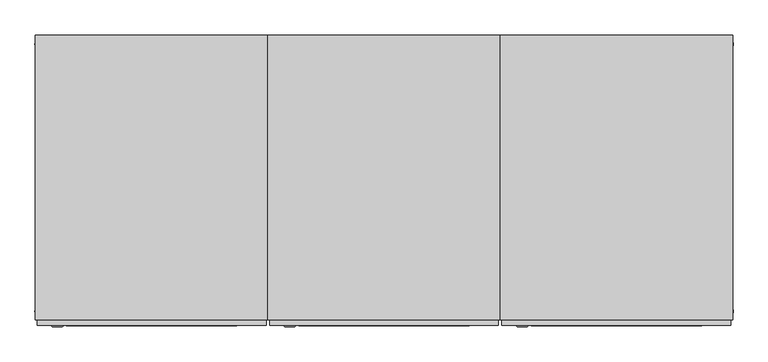
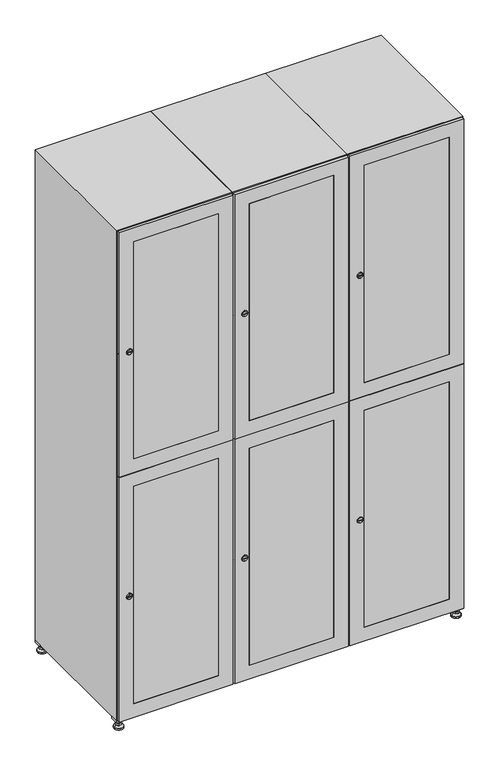
"""IFC4 building model written with IfcOpenShell, lengths in millimetres: furniture geometry."""

from ifc_helpers import new_model, si_unit, point, frame, frame_2d, origin, origin_with_axes, place, context, project, spatial, polyline, circle_curve, trimmed, segment, composite_curve, outline, extrude, faceted_brep, source, transform, mapped, element, save
from ifc_brep_helpers import plane_surface, revolved_surface, advanced_brep


def furniture_c2c99494(model_context):
    return source(origin(), model_context, "Body", "SolidModel", [
        extrude(outline(polyline([(1000.0, 245.0), (1000.0, 215.0), (970.0, 215.0), (970.0, 245.0), (1000.0, 245.0)]), holes=[polyline([(998.0, 243.0), (972.0, 243.0), (972.0, 217.0), (998.0, 217.0), (998.0, 243.0)])]), frame((0.0, 0.0, 28.5), z_axis=(0.0, 0.0, 1.0), x_axis=(1.0, 0.0, 0.0)), (0.0, 0.0, 1.0), 6.5),
        extrude(outline(polyline([(970.0, -245.0), (970.0, -215.0), (1000.0, -215.0), (1000.0, -245.0), (970.0, -245.0)]), holes=[polyline([(972.0, -243.0), (998.0, -243.0), (998.0, -217.0), (972.0, -217.0), (972.0, -243.0)])]), frame((0.0, 0.0, 28.5), z_axis=(0.0, 0.0, 1.0), x_axis=(1.0, 0.0, 0.0)), (0.0, 0.0, 1.0), 6.5),
        extrude(outline(polyline([(-170.0, 245.0), (-170.0, 215.0), (-200.0, 215.0), (-200.0, 245.0), (-170.0, 245.0)]), holes=[polyline([(-172.0, 243.0), (-198.0, 243.0), (-198.0, 217.0), (-172.0, 217.0), (-172.0, 243.0)])]), frame((0.0, 0.0, 28.5), z_axis=(0.0, 0.0, 1.0), x_axis=(1.0, 0.0, 0.0)), (0.0, 0.0, 1.0), 6.5),
        extrude(outline(polyline([(-170.0, -215.0), (-170.0, -245.0), (-200.0, -245.0), (-200.0, -215.0), (-170.0, -215.0)]), holes=[polyline([(-198.0, -243.0), (-172.0, -243.0), (-172.0, -217.0), (-198.0, -217.0), (-198.0, -243.0)])]), frame((0.0, 0.0, 28.5), z_axis=(0.0, 0.0, 1.0), x_axis=(1.0, 0.0, 0.0)), (0.0, 0.0, 1.0), 6.5),
        extrude(outline(composite_curve([segment(trimmed(circle_curve(frame_2d((-185.0, 230.0)), 5.0), [point((-180.0, 230.0))], [point((-190.0, 230.0))], False, "CARTESIAN"), True, "CONTINUOUS"), segment(trimmed(circle_curve(frame_2d((-185.0, 230.0)), 5.0), [point((-190.0, 230.0))], [point((-180.0, 230.0))], False, "CARTESIAN"), True, "CONTINUOUS")], self_intersect=False)), frame((0.0, 0.0, 19.6), z_axis=(0.0, 0.0, 1.0), x_axis=(1.0, 0.0, 0.0)), (0.0, 0.0, 1.0), 15.4),
        extrude(outline(composite_curve([segment(trimmed(circle_curve(frame_2d((-185.0, -230.0)), 5.0), [point((-180.0, -230.0))], [point((-190.0, -230.0))], False, "CARTESIAN"), True, "CONTINUOUS"), segment(trimmed(circle_curve(frame_2d((-185.0, -230.0)), 5.0), [point((-190.0, -230.0))], [point((-180.0, -230.0))], False, "CARTESIAN"), True, "CONTINUOUS")], self_intersect=False)), frame((0.0, 0.0, 19.6), z_axis=(0.0, 0.0, 1.0), x_axis=(1.0, 0.0, 0.0)), (0.0, 0.0, 1.0), 15.4),
        extrude(outline(composite_curve([segment(trimmed(circle_curve(frame_2d((985.0, 230.0)), 5.0), [point((990.0, 230.0))], [point((980.0, 230.0))], False, "CARTESIAN"), True, "CONTINUOUS"), segment(trimmed(circle_curve(frame_2d((985.0, 230.0)), 5.0), [point((980.0, 230.0))], [point((990.0, 230.0))], False, "CARTESIAN"), True, "CONTINUOUS")], self_intersect=False)), frame((0.0, 0.0, 19.6), z_axis=(0.0, 0.0, 1.0), x_axis=(1.0, 0.0, 0.0)), (0.0, 0.0, 1.0), 15.4),
        extrude(outline(polyline([(973.4529946, 230.0), (979.2264973, 240.0), (990.7735027, 240.0), (996.5470054, 230.0), (990.7735027, 220.0), (979.2264973, 220.0), (973.4529946, 230.0)])), frame((0.0, 0.0, 13.6), z_axis=(0.0, 0.0, 1.0), x_axis=(1.0, 0.0, 0.0)), (0.0, 0.0, 1.0), 6.0),
        extrude(outline(composite_curve([segment(trimmed(circle_curve(frame_2d((985.0, -230.0)), 5.0), [point((990.0, -230.0))], [point((980.0, -230.0))], False, "CARTESIAN"), True, "CONTINUOUS"), segment(trimmed(circle_curve(frame_2d((985.0, -230.0)), 5.0), [point((980.0, -230.0))], [point((990.0, -230.0))], False, "CARTESIAN"), True, "CONTINUOUS")], self_intersect=False)), frame((0.0, 0.0, 19.6), z_axis=(0.0, 0.0, 1.0), x_axis=(1.0, 0.0, 0.0)), (0.0, 0.0, 1.0), 15.4),
        extrude(outline(polyline([(973.4529946, -230.0), (979.2264973, -220.0), (990.7735027, -220.0), (996.5470054, -230.0), (990.7735027, -240.0), (979.2264973, -240.0), (973.4529946, -230.0)])), frame((0.0, 0.0, 13.6), z_axis=(0.0, 0.0, 1.0), x_axis=(1.0, 0.0, 0.0)), (0.0, 0.0, 1.0), 6.0),
        extrude(outline(composite_curve([segment(trimmed(circle_curve(frame_2d((985.0, 230.0)), 5.0), [point((990.0, 230.0))], [point((980.0, 230.0))], False, "CARTESIAN"), True, "CONTINUOUS"), segment(trimmed(circle_curve(frame_2d((985.0, 230.0)), 5.0), [point((980.0, 230.0))], [point((990.0, 230.0))], False, "CARTESIAN"), True, "CONTINUOUS")], self_intersect=False)), frame((0.0, 0.0, 12.1), z_axis=(0.0, 0.0, 1.0), x_axis=(1.0, 0.0, 0.0)), (0.0, 0.0, 1.0), 1.5),
        extrude(outline(composite_curve([segment(trimmed(circle_curve(frame_2d((985.0, -230.0)), 5.0), [point((990.0, -230.0))], [point((980.0, -230.0))], False, "CARTESIAN"), True, "CONTINUOUS"), segment(trimmed(circle_curve(frame_2d((985.0, -230.0)), 5.0), [point((980.0, -230.0))], [point((990.0, -230.0))], False, "CARTESIAN"), True, "CONTINUOUS")], self_intersect=False)), frame((0.0, 0.0, 12.1), z_axis=(0.0, 0.0, 1.0), x_axis=(1.0, 0.0, 0.0)), (0.0, 0.0, 1.0), 1.5),
        extrude(outline(polyline([(-196.5470054, 230.0), (-190.7735027, 240.0), (-179.2264973, 240.0), (-173.4529946, 230.0), (-179.2264973, 220.0), (-190.7735027, 220.0), (-196.5470054, 230.0)])), frame((0.0, 0.0, 13.6), z_axis=(0.0, 0.0, 1.0), x_axis=(1.0, 0.0, 0.0)), (0.0, 0.0, 1.0), 6.0),
        extrude(outline(polyline([(-196.5470054, -230.0), (-190.7735027, -220.0), (-179.2264973, -220.0), (-173.4529946, -230.0), (-179.2264973, -240.0), (-190.7735027, -240.0), (-196.5470054, -230.0)])), frame((0.0, 0.0, 13.6), z_axis=(0.0, 0.0, 1.0), x_axis=(1.0, 0.0, 0.0)), (0.0, 0.0, 1.0), 6.0),
        extrude(outline(composite_curve([segment(trimmed(circle_curve(frame_2d((-185.0, 230.0)), 5.0), [point((-185.0, 235.0))], [point((-185.0, 225.0))], False, "CARTESIAN"), True, "CONTINUOUS"), segment(trimmed(circle_curve(frame_2d((-185.0, 230.0)), 5.0), [point((-185.0, 225.0))], [point((-185.0, 235.0))], False, "CARTESIAN"), True, "CONTINUOUS")], self_intersect=False)), frame((0.0, 0.0, 12.1), z_axis=(0.0, 0.0, 1.0), x_axis=(1.0, 0.0, 0.0)), (0.0, 0.0, 1.0), 1.5),
        extrude(outline(composite_curve([segment(trimmed(circle_curve(frame_2d((-185.0, -230.0)), 5.0), [point((-180.0, -230.0))], [point((-190.0, -230.0))], False, "CARTESIAN"), True, "CONTINUOUS"), segment(trimmed(circle_curve(frame_2d((-185.0, -230.0)), 5.0), [point((-190.0, -230.0))], [point((-180.0, -230.0))], False, "CARTESIAN"), True, "CONTINUOUS")], self_intersect=False)), frame((0.0, 0.0, 12.1), z_axis=(0.0, 0.0, 1.0), x_axis=(1.0, 0.0, 0.0)), (0.0, 0.0, 1.0), 1.5),
        extrude(outline(composite_curve([segment(trimmed(circle_curve(frame_2d((985.0, 230.0)), 15.75), [point((1000.75, 230.0))], [point((969.25, 230.0))], False, "CARTESIAN"), True, "CONTINUOUS"), segment(trimmed(circle_curve(frame_2d((985.0, 230.0)), 15.75), [point((969.25, 230.0))], [point((1000.75, 230.0))], False, "CARTESIAN"), True, "CONTINUOUS")], self_intersect=False)), origin_with_axes(), (0.0, 0.0, 1.0), 5.1),
        extrude(outline(composite_curve([segment(trimmed(circle_curve(frame_2d((985.0, -230.0)), 15.75), [point((985.0, -214.25))], [point((985.0, -245.75))], False, "CARTESIAN"), True, "CONTINUOUS"), segment(trimmed(circle_curve(frame_2d((985.0, -230.0)), 15.75), [point((985.0, -245.75))], [point((985.0, -214.25))], False, "CARTESIAN"), True, "CONTINUOUS")], self_intersect=False)), origin_with_axes(), (0.0, 0.0, 1.0), 5.1),
        extrude(outline(composite_curve([segment(trimmed(circle_curve(frame_2d((-185.0, -230.0)), 15.75), [point((-169.25, -230.0))], [point((-200.75, -230.0))], False, "CARTESIAN"), True, "CONTINUOUS"), segment(trimmed(circle_curve(frame_2d((-185.0, -230.0)), 15.75), [point((-200.75, -230.0))], [point((-169.25, -230.0))], False, "CARTESIAN"), True, "CONTINUOUS")], self_intersect=False)), origin_with_axes(), (0.0, 0.0, 1.0), 5.1),
        extrude(outline(composite_curve([segment(trimmed(circle_curve(frame_2d((-185.0, 230.0)), 15.75), [point((-169.25, 230.0))], [point((-200.75, 230.0))], False, "CARTESIAN"), True, "CONTINUOUS"), segment(trimmed(circle_curve(frame_2d((-185.0, 230.0)), 15.75), [point((-200.75, 230.0))], [point((-169.25, 230.0))], False, "CARTESIAN"), True, "CONTINUOUS")], self_intersect=False)), origin_with_axes(), (0.0, 0.0, 1.0), 5.1),
        advanced_brep(
        [(-185.0, 239.5, 12.1), (-185.0, 220.5, 12.1), (-185.0, 214.25, 5.1), (-185.0, 245.75, 5.1)],
        [
            (0, 1, circle_curve(frame((-185.0, 230.0, 12.1), z_axis=(0.0, 0.0, -1.0), x_axis=(0.0, 1.0, 0.0)), 9.5)),
            (1, 2),
            (2, 3, circle_curve(frame((-185.0, 230.0, 5.1), z_axis=(0.0, 0.0, 1.0), x_axis=(0.0, 1.0, 0.0)), 15.75)),
            (3, 0),
            (1, 0, circle_curve(frame((-185.0, 230.0, 12.1), z_axis=(0.0, 0.0, -1.0), x_axis=(0.0, -1.0, 0.0)), 9.5)),
            (3, 2, circle_curve(frame((-185.0, 230.0, 5.1), z_axis=(0.0, 0.0, 1.0), x_axis=(0.0, -1.0, 0.0)), 15.75)),
        ],
        [
            revolved_surface(polyline([(-185.0, 220.5, 12.099999999999998), (-185.0, 214.25, 5.099999999999998)]), (-185.0, 230.0, 22.74), (0.0, 0.0, -1.0)),
            revolved_surface(polyline([(-185.0, 239.5, 12.099999999999998), (-185.0, 245.75, 5.099999999999998)]), (-185.0, 230.0, 22.74), (0.0, 0.0, -1.0)),
            plane_surface(frame((-185.0, 230.0, 5.1), z_axis=(0.0, 0.0, -1.0), x_axis=(1.0, 0.0, 0.0))),
            plane_surface(frame((-185.0, 230.0, 12.1), z_axis=(0.0, 0.0, 1.0), x_axis=(1.0, 0.0, 0.0))),
        ],
        [
            (0, [[1, 2, 3, 4]]),
            (1, [[5, -4, 6, -2]]),
            (2, [[-3, -6]]),
            (3, [[-5, -1]]),
        ],
    ),
        advanced_brep(
        [(985.0, 239.5, 12.1), (985.0, 220.5, 12.1), (985.0, 214.25, 5.1), (985.0, 245.75, 5.1)],
        [
            (0, 1, circle_curve(frame((985.0, 230.0, 12.1), z_axis=(0.0, 0.0, -1.0), x_axis=(0.0, 1.0, 0.0)), 9.5)),
            (1, 2),
            (2, 3, circle_curve(frame((985.0, 230.0, 5.1), z_axis=(0.0, 0.0, 1.0), x_axis=(0.0, 1.0, 0.0)), 15.75)),
            (3, 0),
            (1, 0, circle_curve(frame((985.0, 230.0, 12.1), z_axis=(0.0, 0.0, -1.0), x_axis=(0.0, -1.0, 0.0)), 9.5)),
            (3, 2, circle_curve(frame((985.0, 230.0, 5.1), z_axis=(0.0, 0.0, 1.0), x_axis=(0.0, -1.0, 0.0)), 15.75)),
        ],
        [
            revolved_surface(polyline([(985.0, 220.5, 12.099999999999998), (985.0, 214.25, 5.099999999999998)]), (985.0, 230.0, 22.74), (0.0, 0.0, -1.0)),
            revolved_surface(polyline([(985.0, 239.5, 12.099999999999998), (985.0, 245.75, 5.099999999999998)]), (985.0, 230.0, 22.74), (0.0, 0.0, -1.0)),
            plane_surface(frame((985.0, 230.0, 5.1), z_axis=(0.0, 0.0, -1.0), x_axis=(1.0, 0.0, 0.0))),
            plane_surface(frame((985.0, 230.0, 12.1), z_axis=(0.0, 0.0, 1.0), x_axis=(1.0, 0.0, 0.0))),
        ],
        [
            (0, [[1, 2, 3, 4]]),
            (1, [[5, -4, 6, -2]]),
            (2, [[-3, -6]]),
            (3, [[-5, -1]]),
        ],
    ),
        advanced_brep(
        [(1000.75, -230.0, 5.1), (969.25, -230.0, 5.1), (975.5, -230.0, 12.1), (994.5, -230.0, 12.1)],
        [
            (0, 1, circle_curve(frame((985.0, -230.0, 5.1), z_axis=(0.0, 0.0, 1.0), x_axis=(1.0, 0.0, 0.0)), 15.75)),
            (1, 2),
            (2, 3, circle_curve(frame((985.0, -230.0, 12.1), z_axis=(0.0, 0.0, -1.0), x_axis=(1.0, 0.0, 0.0)), 9.5)),
            (3, 0),
            (1, 0, circle_curve(frame((985.0, -230.0, 5.1), z_axis=(0.0, 0.0, 1.0), x_axis=(-1.0, 0.0, 0.0)), 15.75)),
            (3, 2, circle_curve(frame((985.0, -230.0, 12.1), z_axis=(0.0, 0.0, -1.0), x_axis=(-1.0, 0.0, 0.0)), 9.5)),
        ],
        [
            revolved_surface(polyline([(994.5, -230.0, 12.099999999999998), (1000.75, -230.0, 5.099999999999998)]), (985.0, -230.0, 22.74), (0.0, 0.0, -1.0)),
            revolved_surface(polyline([(975.5, -230.0, 12.099999999999998), (969.25, -230.0, 5.099999999999998)]), (985.0, -230.0, 22.74), (0.0, 0.0, -1.0)),
            plane_surface(frame((985.0, -230.0, 12.1), z_axis=(0.0, 0.0, 1.0), x_axis=(0.0, 1.0, 0.0))),
            plane_surface(frame((985.0, -230.0, 5.1), z_axis=(0.0, 0.0, -1.0), x_axis=(0.0, 1.0, 0.0))),
        ],
        [
            (0, [[1, 2, 3, 4]]),
            (1, [[5, -4, 6, -2]]),
            (2, [[-3, -6]]),
            (3, [[-5, -1]]),
        ],
    ),
        advanced_brep(
        [(-169.25, -230.0, 5.1), (-200.75, -230.0, 5.1), (-194.5, -230.0, 12.1), (-175.5, -230.0, 12.1)],
        [
            (0, 1, circle_curve(frame((-185.0, -230.0, 5.1), z_axis=(0.0, 0.0, 1.0), x_axis=(1.0, 0.0, 0.0)), 15.75)),
            (1, 2),
            (2, 3, circle_curve(frame((-185.0, -230.0, 12.1), z_axis=(0.0, 0.0, -1.0), x_axis=(1.0, 0.0, 0.0)), 9.5)),
            (3, 0),
            (1, 0, circle_curve(frame((-185.0, -230.0, 5.1), z_axis=(0.0, 0.0, 1.0), x_axis=(-1.0, 0.0, 0.0)), 15.75)),
            (3, 2, circle_curve(frame((-185.0, -230.0, 12.1), z_axis=(0.0, 0.0, -1.0), x_axis=(-1.0, 0.0, 0.0)), 9.5)),
        ],
        [
            revolved_surface(polyline([(-175.5, -230.0, 12.099999999999998), (-169.25, -230.0, 5.099999999999998)]), (-185.0, -230.0, 22.74), (0.0, 0.0, -1.0)),
            revolved_surface(polyline([(-194.5, -230.0, 12.099999999999998), (-200.75, -230.0, 5.099999999999998)]), (-185.0, -230.0, 22.74), (0.0, 0.0, -1.0)),
            plane_surface(frame((-185.0, -230.0, 12.1), z_axis=(0.0, 0.0, 1.0), x_axis=(0.0, 1.0, 0.0))),
            plane_surface(frame((-185.0, -230.0, 5.1), z_axis=(0.0, 0.0, -1.0), x_axis=(0.0, 1.0, 0.0))),
        ],
        [
            (0, [[1, 2, 3, 4]]),
            (1, [[5, -4, 6, -2]]),
            (2, [[-3, -6]]),
            (3, [[-5, -1]]),
        ],
    ),
        extrude(outline(composite_curve([segment(trimmed(circle_curve(frame_2d((1383.5, 611.2010534)), 7.0), [point((1390.5, 611.2010534))], [point((1376.5, 611.2010534))], False, "CARTESIAN"), True, "CONTINUOUS"), segment(polyline([(1376.5, 611.2010534), (1376.5, 639.2010534)]), True, "CONTINUOUS"), segment(trimmed(circle_curve(frame_2d((1383.5, 639.2010534)), 7.0), [point((1376.5, 639.2010534))], [point((1390.5, 639.2010534))], False, "CARTESIAN"), True, "CONTINUOUS"), segment(polyline([(1390.5, 639.2010534), (1390.5, 611.2010534)]), True, "CONTINUOUS")], self_intersect=False)), frame((0.0, -245.0, 0.0), z_axis=(0.0, 1.0, 0.0), x_axis=(0.0, 0.0, 1.0)), (0.0, 0.0, 1.0), 2.0),
        advanced_brep(
        [(646.5, -257.2, 1383.5), (629.5, -257.2, 1383.5), (633.0, -257.2, 1382.25), (633.0, -257.2, 1384.75), (643.0, -257.2, 1384.75), (643.0, -257.2, 1382.25), (648.5, -255.0, 1383.5), (627.5, -255.0, 1383.5), (633.0, -255.0, 1384.75), (633.0, -255.0, 1382.25), (643.0, -255.0, 1382.25), (643.0, -255.0, 1384.75)],
        [
            (0, 1, circle_curve(frame((638.0, -257.2, 1383.5), z_axis=(0.0, -1.0, 0.0), x_axis=(1.0, 0.0, 0.0)), 8.5)),
            (1, 0, circle_curve(frame((638.0, -257.2, 1383.5), z_axis=(0.0, -1.0, 0.0), x_axis=(-1.0, 0.0, 0.0)), 8.5)),
            (2, 3),
            (3, 4),
            (4, 5),
            (5, 2),
            (6, 7, circle_curve(frame((638.0, -255.0, 1383.5), z_axis=(0.0, 1.0, 0.0), x_axis=(-1.0, 0.0, 0.0)), 10.5)),
            (7, 6, circle_curve(frame((638.0, -255.0, 1383.5), z_axis=(0.0, 1.0, 0.0), x_axis=(1.0, 0.0, 0.0)), 10.5)),
            (8, 9),
            (9, 10),
            (10, 11),
            (11, 8),
            (0, 6),
            (7, 1),
            (8, 3),
            (2, 9),
            (11, 4),
            (10, 5),
        ],
        [
            plane_surface(frame((638.0, -257.2, 1383.5), z_axis=(0.0, -1.0, 0.0), x_axis=(0.0, 0.0, 1.0))),
            plane_surface(frame((638.0, -255.0, 1383.5), z_axis=(0.0, 1.0, 0.0), x_axis=(0.0, 0.0, 1.0))),
            revolved_surface(polyline([(646.5, -257.2, 1383.5), (648.5, -255.0, 1383.5)]), (638.0, -266.55, 1383.5), (0.0, 1.0, 0.0)),
            revolved_surface(polyline([(629.5, -257.2, 1383.5), (627.5, -255.0, 1383.5)]), (638.0, -266.55, 1383.5), (0.0, 1.0, 0.0)),
            plane_surface(frame((633.0, -255.0, 1382.25), z_axis=(1.0, 0.0, 0.0), x_axis=(0.0, -1.0, 0.0))),
            plane_surface(frame((633.0, -255.0, 1384.75), z_axis=(0.0, 0.0, -1.0), x_axis=(0.0, -1.0, 0.0))),
            plane_surface(frame((643.0, -255.0, 1384.75), z_axis=(-1.0, 0.0, 0.0), x_axis=(0.0, -1.0, 0.0))),
            plane_surface(frame((643.0, -255.0, 1382.25), z_axis=(0.0, 0.0, 1.0), x_axis=(0.0, -1.0, 0.0))),
        ],
        [
            (0, [[1, 2], [3, 4, 5, 6]]),
            (1, [[7, 8], [9, 10, 11, 12]]),
            (2, [[-1, 13, -8, 14]]),
            (3, [[-2, -14, -7, -13]]),
            (4, [[15, -3, 16, -9]]),
            (5, [[-15, -12, 17, -4]]),
            (6, [[-17, -11, 18, -5]]),
            (7, [[-16, -6, -18, -10]]),
        ],
    ),
        extrude(outline(composite_curve([segment(trimmed(circle_curve(frame_2d((486.5, 611.2010534)), 7.0), [point((493.5, 611.2010534))], [point((479.5, 611.2010534))], False, "CARTESIAN"), True, "CONTINUOUS"), segment(polyline([(479.5, 611.2010534), (479.5, 639.2010534)]), True, "CONTINUOUS"), segment(trimmed(circle_curve(frame_2d((486.5, 639.2010534)), 7.0), [point((479.5, 639.2010534))], [point((493.5, 639.2010534))], False, "CARTESIAN"), True, "CONTINUOUS"), segment(polyline([(493.5, 639.2010534), (493.5, 611.2010534)]), True, "CONTINUOUS")], self_intersect=False)), frame((0.0, -245.0, 0.0), z_axis=(0.0, 1.0, 0.0), x_axis=(0.0, 0.0, 1.0)), (0.0, 0.0, 1.0), 2.0),
        advanced_brep(
        [(646.5, -257.2, 486.5), (629.5, -257.2, 486.5), (633.0, -257.2, 485.25), (633.0, -257.2, 487.75), (643.0, -257.2, 487.75), (643.0, -257.2, 485.25), (648.5, -255.0, 486.5), (627.5, -255.0, 486.5), (633.0, -255.0, 487.75), (633.0, -255.0, 485.25), (643.0, -255.0, 485.25), (643.0, -255.0, 487.75)],
        [
            (0, 1, circle_curve(frame((638.0, -257.2, 486.5), z_axis=(0.0, -1.0, 0.0), x_axis=(1.0, 0.0, 0.0)), 8.5)),
            (1, 0, circle_curve(frame((638.0, -257.2, 486.5), z_axis=(0.0, -1.0, 0.0), x_axis=(-1.0, 0.0, 0.0)), 8.5)),
            (2, 3),
            (3, 4),
            (4, 5),
            (5, 2),
            (6, 7, circle_curve(frame((638.0, -255.0, 486.5), z_axis=(0.0, 1.0, 0.0), x_axis=(-1.0, 0.0, 0.0)), 10.5)),
            (7, 6, circle_curve(frame((638.0, -255.0, 486.5), z_axis=(0.0, 1.0, 0.0), x_axis=(1.0, 0.0, 0.0)), 10.5)),
            (8, 9),
            (9, 10),
            (10, 11),
            (11, 8),
            (0, 6),
            (7, 1),
            (8, 3),
            (2, 9),
            (11, 4),
            (10, 5),
        ],
        [
            plane_surface(frame((638.0, -257.2, 486.5), z_axis=(0.0, -1.0, 0.0), x_axis=(0.0, 0.0, 1.0))),
            plane_surface(frame((638.0, -255.0, 486.5), z_axis=(0.0, 1.0, 0.0), x_axis=(0.0, 0.0, 1.0))),
            revolved_surface(polyline([(646.5, -257.2, 486.5), (648.5, -255.0, 486.5)]), (638.0, -266.55, 486.5), (0.0, 1.0, 0.0)),
            revolved_surface(polyline([(629.5, -257.2, 486.5), (627.5, -255.0, 486.5)]), (638.0, -266.55, 486.5), (0.0, 1.0, 0.0)),
            plane_surface(frame((633.0, -255.0, 485.25), z_axis=(1.0, 0.0, 0.0), x_axis=(0.0, -1.0, 0.0))),
            plane_surface(frame((633.0, -255.0, 487.75), z_axis=(0.0, 0.0, -1.0), x_axis=(0.0, -1.0, 0.0))),
            plane_surface(frame((643.0, -255.0, 487.75), z_axis=(-1.0, 0.0, 0.0), x_axis=(0.0, -1.0, 0.0))),
            plane_surface(frame((643.0, -255.0, 485.25), z_axis=(0.0, 0.0, 1.0), x_axis=(0.0, -1.0, 0.0))),
        ],
        [
            (0, [[1, 2], [3, 4, 5, 6]]),
            (1, [[7, 8], [9, 10, 11, 12]]),
            (2, [[-1, 13, -8, 14]]),
            (3, [[-2, -14, -7, -13]]),
            (4, [[15, -3, 16, -9]]),
            (5, [[-15, -12, 17, -4]]),
            (6, [[-17, -11, 18, -5]]),
            (7, [[-16, -6, -18, -10]]),
        ],
    ),
        extrude(outline(polyline([(935.5, 997.0), (1832.0, 997.0), (1832.0, 603.0), (935.5, 603.0), (935.5, 997.0)]), holes=[polyline([(1782.0, 653.0), (1782.0, 947.0), (985.5, 947.0), (985.5, 653.0), (1782.0, 653.0)])]), frame((0.0, -255.0, 0.0), z_axis=(0.0, 1.0, 0.0), x_axis=(0.0, 0.0, 1.0)), (0.0, 0.0, 1.0), 10.0),
        extrude(outline(polyline([(934.5, 603.0), (38.0, 603.0), (38.0, 997.0), (934.5, 997.0), (934.5, 603.0)]), holes=[polyline([(88.0, 653.0), (884.5, 653.0), (884.5, 947.0), (88.0, 947.0), (88.0, 653.0)])]), frame((0.0, -255.0, 0.0), z_axis=(0.0, 1.0, 0.0), x_axis=(0.0, 0.0, 1.0)), (0.0, 0.0, 1.0), 10.0),
        extrude(outline(polyline([(947.0, -255.0), (653.0, -255.0), (653.0, -245.0), (947.0, -245.0), (947.0, -255.0)])), frame((0.0, 0.0, 985.5), z_axis=(0.0, 0.0, 1.0), x_axis=(1.0, 0.0, 0.0)), (0.0, 0.0, 1.0), 796.5),
        extrude(outline(polyline([(947.0, -255.0), (653.0, -255.0), (653.0, -245.0), (947.0, -245.0), (947.0, -255.0)])), frame((0.0, 0.0, 88.0), z_axis=(0.0, 0.0, 1.0), x_axis=(1.0, 0.0, 0.0)), (0.0, 0.0, 1.0), 796.5),
        extrude(outline(polyline([(979.6, 242.0), (979.6, -235.0), (620.4, -235.0), (620.4, 242.0), (979.6, 242.0)])), frame((0.0, 0.0, 924.8), z_axis=(0.0, 0.0, 1.0), x_axis=(1.0, 0.0, 0.0)), (0.0, 0.0, 1.0), 20.4),
        faceted_brep([(1000.0, -245.0, 35.0), (1000.0, -245.0, 1835.0), (600.0, -245.0, 1835.0), (600.0, -245.0, 35.0), (979.6, -245.0, 1804.8), (979.6, -245.0, 65.2), (620.4, -245.0, 65.2), (620.4, -245.0, 1804.8), (1000.0, 245.0, 35.0), (600.0, 245.0, 35.0), (1000.0, 245.0, 1835.0), (600.0, 245.0, 1835.0), (979.6, 242.0, 1804.8), (979.6, 242.0, 65.2), (600.0, 245.0, 1804.8), (620.4, 242.0, 1804.8), (620.4, 242.0, 65.2)], [[[0, 1, 2, 3], [4, 5, 6, 7]], [[8, 0, 3, 9]], [[1, 0, 8, 10]], [[1, 10, 11, 2]], [[4, 12, 13, 5]], [[9, 3, 2, 11, 14]], [[10, 8, 9, 14, 11]], [[12, 15, 16, 13]], [[15, 7, 6, 16]], [[4, 7, 15, 12]], [[6, 5, 13, 16]]]),
        extrude(outline(composite_curve([segment(trimmed(circle_curve(frame_2d((1383.5, 211.2010534)), 7.0), [point((1390.5, 211.2010534))], [point((1376.5, 211.2010534))], False, "CARTESIAN"), True, "CONTINUOUS"), segment(polyline([(1376.5, 211.2010534), (1376.5, 239.2010534)]), True, "CONTINUOUS"), segment(trimmed(circle_curve(frame_2d((1383.5, 239.2010534)), 7.0), [point((1376.5, 239.2010534))], [point((1390.5, 239.2010534))], False, "CARTESIAN"), True, "CONTINUOUS"), segment(polyline([(1390.5, 239.2010534), (1390.5, 211.2010534)]), True, "CONTINUOUS")], self_intersect=False)), frame((0.0, -245.0, 0.0), z_axis=(0.0, 1.0, 0.0), x_axis=(0.0, 0.0, 1.0)), (0.0, 0.0, 1.0), 2.0),
        advanced_brep(
        [(246.5, -257.2, 1383.5), (229.5, -257.2, 1383.5), (233.0, -257.2, 1382.25), (233.0, -257.2, 1384.75), (243.0, -257.2, 1384.75), (243.0, -257.2, 1382.25), (248.5, -255.0, 1383.5), (227.5, -255.0, 1383.5), (233.0, -255.0, 1384.75), (233.0, -255.0, 1382.25), (243.0, -255.0, 1382.25), (243.0, -255.0, 1384.75)],
        [
            (0, 1, circle_curve(frame((238.0, -257.2, 1383.5), z_axis=(0.0, -1.0, 0.0), x_axis=(1.0, 0.0, 0.0)), 8.5)),
            (1, 0, circle_curve(frame((238.0, -257.2, 1383.5), z_axis=(0.0, -1.0, 0.0), x_axis=(-1.0, 0.0, 0.0)), 8.5)),
            (2, 3),
            (3, 4),
            (4, 5),
            (5, 2),
            (6, 7, circle_curve(frame((238.0, -255.0, 1383.5), z_axis=(0.0, 1.0, 0.0), x_axis=(-1.0, 0.0, 0.0)), 10.5)),
            (7, 6, circle_curve(frame((238.0, -255.0, 1383.5), z_axis=(0.0, 1.0, 0.0), x_axis=(1.0, 0.0, 0.0)), 10.5)),
            (8, 9),
            (9, 10),
            (10, 11),
            (11, 8),
            (0, 6),
            (7, 1),
            (8, 3),
            (2, 9),
            (11, 4),
            (10, 5),
        ],
        [
            plane_surface(frame((238.0, -257.2, 1383.5), z_axis=(0.0, -1.0, 0.0), x_axis=(0.0, 0.0, 1.0))),
            plane_surface(frame((238.0, -255.0, 1383.5), z_axis=(0.0, 1.0, 0.0), x_axis=(0.0, 0.0, 1.0))),
            revolved_surface(polyline([(246.5, -257.2, 1383.5), (248.5, -255.0, 1383.5)]), (238.0, -266.55, 1383.5), (0.0, 1.0, 0.0)),
            revolved_surface(polyline([(229.5, -257.2, 1383.5), (227.5, -255.0, 1383.5)]), (238.0, -266.55, 1383.5), (0.0, 1.0, 0.0)),
            plane_surface(frame((233.0, -255.0, 1382.25), z_axis=(1.0, 0.0, 0.0), x_axis=(0.0, -1.0, 0.0))),
            plane_surface(frame((233.0, -255.0, 1384.75), z_axis=(0.0, 0.0, -1.0), x_axis=(0.0, -1.0, 0.0))),
            plane_surface(frame((243.0, -255.0, 1384.75), z_axis=(-1.0, 0.0, 0.0), x_axis=(0.0, -1.0, 0.0))),
            plane_surface(frame((243.0, -255.0, 1382.25), z_axis=(0.0, 0.0, 1.0), x_axis=(0.0, -1.0, 0.0))),
        ],
        [
            (0, [[1, 2], [3, 4, 5, 6]]),
            (1, [[7, 8], [9, 10, 11, 12]]),
            (2, [[-1, 13, -8, 14]]),
            (3, [[-2, -14, -7, -13]]),
            (4, [[15, -3, 16, -9]]),
            (5, [[-15, -12, 17, -4]]),
            (6, [[-17, -11, 18, -5]]),
            (7, [[-16, -6, -18, -10]]),
        ],
    ),
        extrude(outline(composite_curve([segment(trimmed(circle_curve(frame_2d((486.5, 211.2010534)), 7.0), [point((493.5, 211.2010534))], [point((479.5, 211.2010534))], False, "CARTESIAN"), True, "CONTINUOUS"), segment(polyline([(479.5, 211.2010534), (479.5, 239.2010534)]), True, "CONTINUOUS"), segment(trimmed(circle_curve(frame_2d((486.5, 239.2010534)), 7.0), [point((479.5, 239.2010534))], [point((493.5, 239.2010534))], False, "CARTESIAN"), True, "CONTINUOUS"), segment(polyline([(493.5, 239.2010534), (493.5, 211.2010534)]), True, "CONTINUOUS")], self_intersect=False)), frame((0.0, -245.0, 0.0), z_axis=(0.0, 1.0, 0.0), x_axis=(0.0, 0.0, 1.0)), (0.0, 0.0, 1.0), 2.0),
        advanced_brep(
        [(246.5, -257.2, 486.5), (229.5, -257.2, 486.5), (233.0, -257.2, 485.25), (233.0, -257.2, 487.75), (243.0, -257.2, 487.75), (243.0, -257.2, 485.25), (248.5, -255.0, 486.5), (227.5, -255.0, 486.5), (233.0, -255.0, 487.75), (233.0, -255.0, 485.25), (243.0, -255.0, 485.25), (243.0, -255.0, 487.75)],
        [
            (0, 1, circle_curve(frame((238.0, -257.2, 486.5), z_axis=(0.0, -1.0, 0.0), x_axis=(1.0, 0.0, 0.0)), 8.5)),
            (1, 0, circle_curve(frame((238.0, -257.2, 486.5), z_axis=(0.0, -1.0, 0.0), x_axis=(-1.0, 0.0, 0.0)), 8.5)),
            (2, 3),
            (3, 4),
            (4, 5),
            (5, 2),
            (6, 7, circle_curve(frame((238.0, -255.0, 486.5), z_axis=(0.0, 1.0, 0.0), x_axis=(-1.0, 0.0, 0.0)), 10.5)),
            (7, 6, circle_curve(frame((238.0, -255.0, 486.5), z_axis=(0.0, 1.0, 0.0), x_axis=(1.0, 0.0, 0.0)), 10.5)),
            (8, 9),
            (9, 10),
            (10, 11),
            (11, 8),
            (0, 6),
            (7, 1),
            (8, 3),
            (2, 9),
            (11, 4),
            (10, 5),
        ],
        [
            plane_surface(frame((238.0, -257.2, 486.5), z_axis=(0.0, -1.0, 0.0), x_axis=(0.0, 0.0, 1.0))),
            plane_surface(frame((238.0, -255.0, 486.5), z_axis=(0.0, 1.0, 0.0), x_axis=(0.0, 0.0, 1.0))),
            revolved_surface(polyline([(246.5, -257.2, 486.5), (248.5, -255.0, 486.5)]), (238.0, -266.55, 486.5), (0.0, 1.0, 0.0)),
            revolved_surface(polyline([(229.5, -257.2, 486.5), (227.5, -255.0, 486.5)]), (238.0, -266.55, 486.5), (0.0, 1.0, 0.0)),
            plane_surface(frame((233.0, -255.0, 485.25), z_axis=(1.0, 0.0, 0.0), x_axis=(0.0, -1.0, 0.0))),
            plane_surface(frame((233.0, -255.0, 487.75), z_axis=(0.0, 0.0, -1.0), x_axis=(0.0, -1.0, 0.0))),
            plane_surface(frame((243.0, -255.0, 487.75), z_axis=(-1.0, 0.0, 0.0), x_axis=(0.0, -1.0, 0.0))),
            plane_surface(frame((243.0, -255.0, 485.25), z_axis=(0.0, 0.0, 1.0), x_axis=(0.0, -1.0, 0.0))),
        ],
        [
            (0, [[1, 2], [3, 4, 5, 6]]),
            (1, [[7, 8], [9, 10, 11, 12]]),
            (2, [[-1, 13, -8, 14]]),
            (3, [[-2, -14, -7, -13]]),
            (4, [[15, -3, 16, -9]]),
            (5, [[-15, -12, 17, -4]]),
            (6, [[-17, -11, 18, -5]]),
            (7, [[-16, -6, -18, -10]]),
        ],
    ),
        extrude(outline(polyline([(935.5, 597.0), (1832.0, 597.0), (1832.0, 203.0), (935.5, 203.0), (935.5, 597.0)]), holes=[polyline([(1782.0, 253.0), (1782.0, 547.0), (985.5, 547.0), (985.5, 253.0), (1782.0, 253.0)])]), frame((0.0, -255.0, 0.0), z_axis=(0.0, 1.0, 0.0), x_axis=(0.0, 0.0, 1.0)), (0.0, 0.0, 1.0), 10.0),
        extrude(outline(polyline([(934.5, 203.0), (38.0, 203.0), (38.0, 597.0), (934.5, 597.0), (934.5, 203.0)]), holes=[polyline([(88.0, 253.0), (884.5, 253.0), (884.5, 547.0), (88.0, 547.0), (88.0, 253.0)])]), frame((0.0, -255.0, 0.0), z_axis=(0.0, 1.0, 0.0), x_axis=(0.0, 0.0, 1.0)), (0.0, 0.0, 1.0), 10.0),
        extrude(outline(polyline([(547.0, -255.0), (253.0, -255.0), (253.0, -245.0), (547.0, -245.0), (547.0, -255.0)])), frame((0.0, 0.0, 985.5), z_axis=(0.0, 0.0, 1.0), x_axis=(1.0, 0.0, 0.0)), (0.0, 0.0, 1.0), 796.5),
        extrude(outline(polyline([(547.0, -255.0), (253.0, -255.0), (253.0, -245.0), (547.0, -245.0), (547.0, -255.0)])), frame((0.0, 0.0, 88.0), z_axis=(0.0, 0.0, 1.0), x_axis=(1.0, 0.0, 0.0)), (0.0, 0.0, 1.0), 796.5),
        extrude(outline(polyline([(579.6, 242.0), (579.6, -235.0), (220.4, -235.0), (220.4, 242.0), (579.6, 242.0)])), frame((0.0, 0.0, 924.8), z_axis=(0.0, 0.0, 1.0), x_axis=(1.0, 0.0, 0.0)), (0.0, 0.0, 1.0), 20.4),
        faceted_brep([(600.0, -245.0, 35.0), (600.0, -245.0, 1835.0), (200.0, -245.0, 1835.0), (200.0, -245.0, 35.0), (579.6, -245.0, 1804.8), (579.6, -245.0, 65.2), (220.4, -245.0, 65.2), (220.4, -245.0, 1804.8), (600.0, 245.0, 35.0), (200.0, 245.0, 35.0), (600.0, 245.0, 1835.0), (200.0, 245.0, 1835.0), (579.6, 242.0, 1804.8), (579.6, 242.0, 65.2), (200.0, 245.0, 1804.8), (220.4, 242.0, 1804.8), (220.4, 242.0, 65.2)], [[[0, 1, 2, 3], [4, 5, 6, 7]], [[8, 0, 3, 9]], [[1, 0, 8, 10]], [[1, 10, 11, 2]], [[4, 12, 13, 5]], [[9, 3, 2, 11, 14]], [[10, 8, 9, 14, 11]], [[12, 15, 16, 13]], [[15, 7, 6, 16]], [[4, 7, 15, 12]], [[6, 5, 13, 16]]]),
        extrude(outline(composite_curve([segment(trimmed(circle_curve(frame_2d((1383.5, -188.7989466)), 7.0), [point((1390.5, -188.7989466))], [point((1376.5, -188.7989466))], False, "CARTESIAN"), True, "CONTINUOUS"), segment(polyline([(1376.5, -188.7989466), (1376.5, -160.7989466)]), True, "CONTINUOUS"), segment(trimmed(circle_curve(frame_2d((1383.5, -160.7989466)), 7.0), [point((1376.5, -160.7989466))], [point((1390.5, -160.7989466))], False, "CARTESIAN"), True, "CONTINUOUS"), segment(polyline([(1390.5, -160.7989466), (1390.5, -188.7989466)]), True, "CONTINUOUS")], self_intersect=False)), frame((0.0, -245.0, 0.0), z_axis=(0.0, 1.0, 0.0), x_axis=(0.0, 0.0, 1.0)), (0.0, 0.0, 1.0), 2.0),
        advanced_brep(
        [(-153.5, -257.2, 1383.5), (-170.5, -257.2, 1383.5), (-167.0, -257.2, 1382.25), (-167.0, -257.2, 1384.75), (-157.0, -257.2, 1384.75), (-157.0, -257.2, 1382.25), (-151.5, -255.0, 1383.5), (-172.5, -255.0, 1383.5), (-167.0, -255.0, 1384.75), (-167.0, -255.0, 1382.25), (-157.0, -255.0, 1382.25), (-157.0, -255.0, 1384.75)],
        [
            (0, 1, circle_curve(frame((-162.0, -257.2, 1383.5), z_axis=(0.0, -1.0, 0.0), x_axis=(1.0, 0.0, 0.0)), 8.5)),
            (1, 0, circle_curve(frame((-162.0, -257.2, 1383.5), z_axis=(0.0, -1.0, 0.0), x_axis=(-1.0, 0.0, 0.0)), 8.5)),
            (2, 3),
            (3, 4),
            (4, 5),
            (5, 2),
            (6, 7, circle_curve(frame((-162.0, -255.0, 1383.5), z_axis=(0.0, 1.0, 0.0), x_axis=(-1.0, 0.0, 0.0)), 10.5)),
            (7, 6, circle_curve(frame((-162.0, -255.0, 1383.5), z_axis=(0.0, 1.0, 0.0), x_axis=(1.0, 0.0, 0.0)), 10.5)),
            (8, 9),
            (9, 10),
            (10, 11),
            (11, 8),
            (0, 6),
            (7, 1),
            (8, 3),
            (2, 9),
            (11, 4),
            (10, 5),
        ],
        [
            plane_surface(frame((-162.0, -257.2, 1383.5), z_axis=(0.0, -1.0, 0.0), x_axis=(0.0, 0.0, 1.0))),
            plane_surface(frame((-162.0, -255.0, 1383.5), z_axis=(0.0, 1.0, 0.0), x_axis=(0.0, 0.0, 1.0))),
            revolved_surface(polyline([(-153.5, -257.2, 1383.5), (-151.5, -255.0, 1383.5)]), (-162.0, -266.55, 1383.5), (0.0, 1.0, 0.0)),
            revolved_surface(polyline([(-170.5, -257.2, 1383.5), (-172.5, -255.0, 1383.5)]), (-162.0, -266.55, 1383.5), (0.0, 1.0, 0.0)),
            plane_surface(frame((-167.0, -255.0, 1382.25), z_axis=(1.0, 0.0, 0.0), x_axis=(0.0, -1.0, 0.0))),
            plane_surface(frame((-167.0, -255.0, 1384.75), z_axis=(0.0, 0.0, -1.0), x_axis=(0.0, -1.0, 0.0))),
            plane_surface(frame((-157.0, -255.0, 1384.75), z_axis=(-1.0, 0.0, 0.0), x_axis=(0.0, -1.0, 0.0))),
            plane_surface(frame((-157.0, -255.0, 1382.25), z_axis=(0.0, 0.0, 1.0), x_axis=(0.0, -1.0, 0.0))),
        ],
        [
            (0, [[1, 2], [3, 4, 5, 6]]),
            (1, [[7, 8], [9, 10, 11, 12]]),
            (2, [[-1, 13, -8, 14]]),
            (3, [[-2, -14, -7, -13]]),
            (4, [[15, -3, 16, -9]]),
            (5, [[-15, -12, 17, -4]]),
            (6, [[-17, -11, 18, -5]]),
            (7, [[-16, -6, -18, -10]]),
        ],
    ),
        extrude(outline(composite_curve([segment(trimmed(circle_curve(frame_2d((486.5, -188.7989466)), 7.0), [point((493.5, -188.7989466))], [point((479.5, -188.7989466))], False, "CARTESIAN"), True, "CONTINUOUS"), segment(polyline([(479.5, -188.7989466), (479.5, -160.7989466)]), True, "CONTINUOUS"), segment(trimmed(circle_curve(frame_2d((486.5, -160.7989466)), 7.0), [point((479.5, -160.7989466))], [point((493.5, -160.7989466))], False, "CARTESIAN"), True, "CONTINUOUS"), segment(polyline([(493.5, -160.7989466), (493.5, -188.7989466)]), True, "CONTINUOUS")], self_intersect=False)), frame((0.0, -245.0, 0.0), z_axis=(0.0, 1.0, 0.0), x_axis=(0.0, 0.0, 1.0)), (0.0, 0.0, 1.0), 2.0),
        advanced_brep(
        [(-153.5, -257.2, 486.5), (-170.5, -257.2, 486.5), (-167.0, -257.2, 485.25), (-167.0, -257.2, 487.75), (-157.0, -257.2, 487.75), (-157.0, -257.2, 485.25), (-151.5, -255.0, 486.5), (-172.5, -255.0, 486.5), (-167.0, -255.0, 487.75), (-167.0, -255.0, 485.25), (-157.0, -255.0, 485.25), (-157.0, -255.0, 487.75)],
        [
            (0, 1, circle_curve(frame((-162.0, -257.2, 486.5), z_axis=(0.0, -1.0, 0.0), x_axis=(1.0, 0.0, 0.0)), 8.5)),
            (1, 0, circle_curve(frame((-162.0, -257.2, 486.5), z_axis=(0.0, -1.0, 0.0), x_axis=(-1.0, 0.0, 0.0)), 8.5)),
            (2, 3),
            (3, 4),
            (4, 5),
            (5, 2),
            (6, 7, circle_curve(frame((-162.0, -255.0, 486.5), z_axis=(0.0, 1.0, 0.0), x_axis=(-1.0, 0.0, 0.0)), 10.5)),
            (7, 6, circle_curve(frame((-162.0, -255.0, 486.5), z_axis=(0.0, 1.0, 0.0), x_axis=(1.0, 0.0, 0.0)), 10.5)),
            (8, 9),
            (9, 10),
            (10, 11),
            (11, 8),
            (0, 6),
            (7, 1),
            (8, 3),
            (2, 9),
            (11, 4),
            (10, 5),
        ],
        [
            plane_surface(frame((-162.0, -257.2, 486.5), z_axis=(0.0, -1.0, 0.0), x_axis=(0.0, 0.0, 1.0))),
            plane_surface(frame((-162.0, -255.0, 486.5), z_axis=(0.0, 1.0, 0.0), x_axis=(0.0, 0.0, 1.0))),
            revolved_surface(polyline([(-153.5, -257.2, 486.5), (-151.5, -255.0, 486.5)]), (-162.0, -266.55, 486.5), (0.0, 1.0, 0.0)),
            revolved_surface(polyline([(-170.5, -257.2, 486.5), (-172.5, -255.0, 486.5)]), (-162.0, -266.55, 486.5), (0.0, 1.0, 0.0)),
            plane_surface(frame((-167.0, -255.0, 485.25), z_axis=(1.0, 0.0, 0.0), x_axis=(0.0, -1.0, 0.0))),
            plane_surface(frame((-167.0, -255.0, 487.75), z_axis=(0.0, 0.0, -1.0), x_axis=(0.0, -1.0, 0.0))),
            plane_surface(frame((-157.0, -255.0, 487.75), z_axis=(-1.0, 0.0, 0.0), x_axis=(0.0, -1.0, 0.0))),
            plane_surface(frame((-157.0, -255.0, 485.25), z_axis=(0.0, 0.0, 1.0), x_axis=(0.0, -1.0, 0.0))),
        ],
        [
            (0, [[1, 2], [3, 4, 5, 6]]),
            (1, [[7, 8], [9, 10, 11, 12]]),
            (2, [[-1, 13, -8, 14]]),
            (3, [[-2, -14, -7, -13]]),
            (4, [[15, -3, 16, -9]]),
            (5, [[-15, -12, 17, -4]]),
            (6, [[-17, -11, 18, -5]]),
            (7, [[-16, -6, -18, -10]]),
        ],
    ),
        extrude(outline(polyline([(935.5, 197.0), (1832.0, 197.0), (1832.0, -197.0), (935.5, -197.0), (935.5, 197.0)]), holes=[polyline([(1782.0, -147.0), (1782.0, 147.0), (985.5, 147.0), (985.5, -147.0), (1782.0, -147.0)])]), frame((0.0, -255.0, 0.0), z_axis=(0.0, 1.0, 0.0), x_axis=(0.0, 0.0, 1.0)), (0.0, 0.0, 1.0), 10.0),
        extrude(outline(polyline([(934.5, -197.0), (38.0, -197.0), (38.0, 197.0), (934.5, 197.0), (934.5, -197.0)]), holes=[polyline([(88.0, -147.0), (884.5, -147.0), (884.5, 147.0), (88.0, 147.0), (88.0, -147.0)])]), frame((0.0, -255.0, 0.0), z_axis=(0.0, 1.0, 0.0), x_axis=(0.0, 0.0, 1.0)), (0.0, 0.0, 1.0), 10.0),
        extrude(outline(polyline([(147.0, -255.0), (-147.0, -255.0), (-147.0, -245.0), (147.0, -245.0), (147.0, -255.0)])), frame((0.0, 0.0, 985.5), z_axis=(0.0, 0.0, 1.0), x_axis=(1.0, 0.0, 0.0)), (0.0, 0.0, 1.0), 796.5),
        extrude(outline(polyline([(147.0, -255.0), (-147.0, -255.0), (-147.0, -245.0), (147.0, -245.0), (147.0, -255.0)])), frame((0.0, 0.0, 88.0), z_axis=(0.0, 0.0, 1.0), x_axis=(1.0, 0.0, 0.0)), (0.0, 0.0, 1.0), 796.5),
        extrude(outline(polyline([(179.6, 242.0), (179.6, -235.0), (-179.6, -235.0), (-179.6, 242.0), (179.6, 242.0)])), frame((0.0, 0.0, 924.8), z_axis=(0.0, 0.0, 1.0), x_axis=(1.0, 0.0, 0.0)), (0.0, 0.0, 1.0), 20.4),
        faceted_brep([(200.0, -245.0, 35.0), (200.0, -245.0, 1835.0), (-200.0, -245.0, 1835.0), (-200.0, -245.0, 35.0), (179.6, -245.0, 1804.8), (179.6, -245.0, 65.2), (-179.6, -245.0, 65.2), (-179.6, -245.0, 1804.8), (200.0, 245.0, 35.0), (-200.0, 245.0, 35.0), (200.0, 245.0, 1835.0), (-200.0, 245.0, 1835.0), (179.6, 242.0, 1804.8), (179.6, 242.0, 65.2), (-200.0, 245.0, 1804.8), (-179.6, 242.0, 1804.8), (-179.6, 242.0, 65.2)], [[[0, 1, 2, 3], [4, 5, 6, 7]], [[8, 0, 3, 9]], [[1, 0, 8, 10]], [[1, 10, 11, 2]], [[4, 12, 13, 5]], [[9, 3, 2, 11, 14]], [[10, 8, 9, 14, 11]], [[12, 15, 16, 13]], [[15, 7, 6, 16]], [[4, 7, 15, 12]], [[6, 5, 13, 16]]]),
    ])


if __name__ == "__main__":
    model = new_model("IFC4")
    model_context = context("Model", 3, world=origin())
    ifc_project = project(units=[si_unit("LENGTHUNIT", "METRE", prefix="MILLI")], contexts=[model_context])
    site = spatial("IfcSite", under=ifc_project)
    building = spatial("IfcBuilding", under=site)
    placement = place(None, origin())
    furniture_shape = furniture_c2c99494(model_context)
    element("IfcFurniture", 1, at=placement, inside=building, context=model_context, shape_type="MappedRepresentation", body=[
        mapped(furniture_shape, transform((0.0, 0.0, 0.0), x_axis=(1.0, 0.0, 0.0), y_axis=(0.0, 1.0, 0.0), z_axis=(0.0, 0.0, 1.0))),
    ])
    save(model, "model.ifc")
